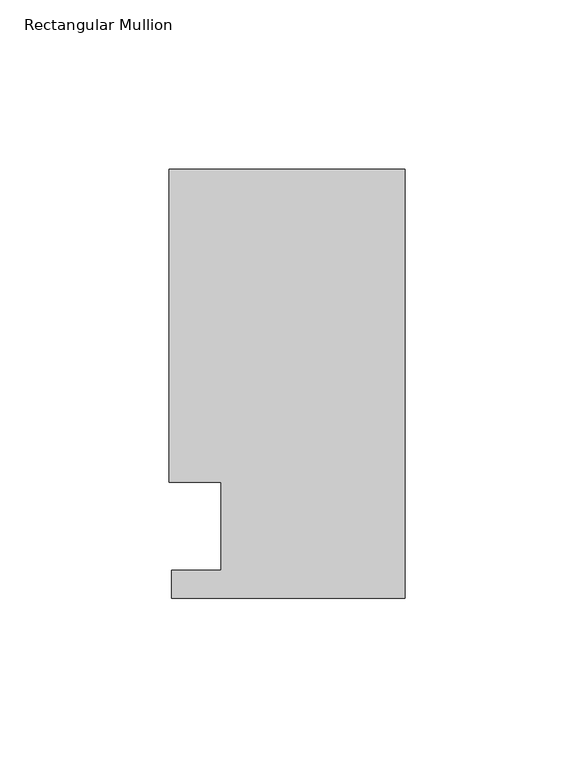
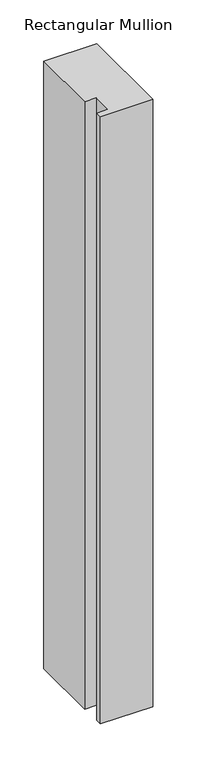
"""IFC4 building model written with IfcOpenShell, lengths in millimetres: member geometry, Rectangular Mullion."""

from ifc_helpers import new_model, si_unit, frame, origin, place, context, project, spatial, polyline, outline, extrude, source, transform, mapped, element, save


def rectangular_mullion_e4f7f82e(model_context):
    return source(origin(), model_context, "Body", "SweptSolid", [
        extrude(outline(polyline([(0.0, 126.9888875), (0.0, -0.0111125), (-69.088, -0.0111125), (-69.088, 8.3454875), (-54.403625, 8.3454875), (-54.403625, 34.3296875), (-69.85, 34.3296875), (-69.85, 126.9888875), (0.0, 126.9888875)])), frame((0.0, 0.0, -844.55), z_axis=(0.0, 0.0, 1.0), x_axis=(1.0, 0.0, 0.0)), (0.0, 0.0, 1.0), 844.55),
    ])


if __name__ == "__main__":
    model = new_model("IFC4")
    model_context = context("Model", 3, world=origin())
    ifc_project = project(units=[si_unit("LENGTHUNIT", "METRE", prefix="MILLI")], contexts=[model_context])
    site = spatial("IfcSite", under=ifc_project)
    building = spatial("IfcBuilding", under=site)
    placement = place(None, origin())
    rectangular_mullion_shape = rectangular_mullion_e4f7f82e(model_context)
    element("IfcMember", 1, ObjectType="Rectangular Mullion", at=placement, inside=building, context=model_context, shape_type="MappedRepresentation", body=[
        mapped(rectangular_mullion_shape, transform((0.0, 0.0, 0.0), x_axis=(1.0, 0.0, 0.0), y_axis=(0.0, 1.0, 0.0), z_axis=(0.0, 0.0, 1.0))),
    ])
    save(model, "model.ifc")
